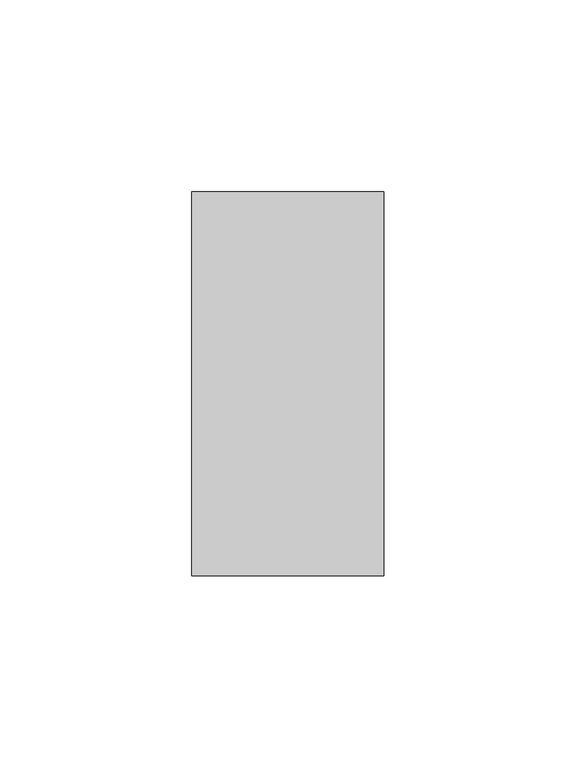
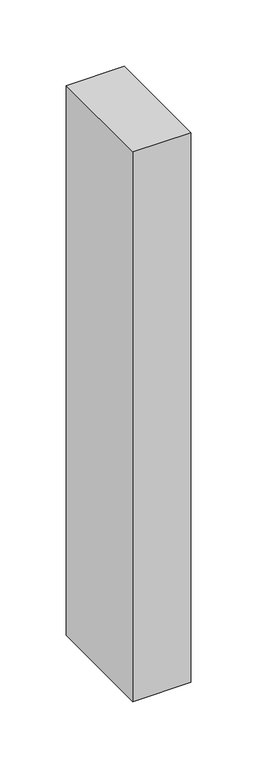
"""IFC4 building model written with IfcOpenShell, lengths in millimetres: member geometry."""

import ifcopenshell
import ifcopenshell.guid

model = None  # the IFC model being written
_history = None  # IfcOwnerHistory: only IFC2X3 demands one
_inside = {}  # id of a spatial element -> (the spatial element, [elements in it])
_under = {}  # id of a project, library or spatial element -> (it, [spatial elements below it])
_declared = {}  # id of a project -> (the project, [libraries it declares])
_typed = {}  # id of a type object -> (the type object, [elements of that type])
_made_of = {}  # id of a material, layer set ... -> (it, [elements and type objects made of it])


def new_model(schema):
    """Start an empty IFC model of exactly this schema.

    Asked for "IFC4X3", IfcOpenShell would pick the latest addendum, in which some entities
    have other attributes; the version numbers below select the first issue.
    IFC2X3 requires an IfcOwnerHistory on every rooted entity: one is made here for all.
    """
    global model, _history
    if schema == "IFC4X3":
        model = ifcopenshell.file(schema_version=(4, 3, 0, 0))
    else:
        model = ifcopenshell.file(schema=schema)
    _inside.clear()
    _under.clear()
    _declared.clear()
    _typed.clear()
    _made_of.clear()
    _history = None
    if model.schema == "IFC2X3":
        org = make("IfcOrganization", Name="unknown")
        user = make(
            "IfcPersonAndOrganization",
            ThePerson=make("IfcPerson", FamilyName="unknown"),
            TheOrganization=org,
        )
        app = make(
            "IfcApplication",
            ApplicationDeveloper=org,
            Version="unknown",
            ApplicationFullName="unknown",
            ApplicationIdentifier="unknown",
        )
        _history = make(
            "IfcOwnerHistory",
            OwningUser=user,
            OwningApplication=app,
            ChangeAction="ADDED",
            CreationDate=0,
        )
    return model


def make(cls, **values):
    """One entity of the class cls with the attributes given. An attribute that is None is left unset."""
    return model.create_entity(
        cls, **{name: value for name, value in values.items() if value is not None}
    )


def rooted(cls, **values):
    """An entity with a GlobalId (a new one), such as an element, a storey or a relation."""
    return make(cls, GlobalId=ifcopenshell.guid.new(), OwnerHistory=_history, **values)


def si_unit(unit_type, name, prefix=None):
    """IfcSIUnit, for example si_unit("LENGTHUNIT", "METRE", prefix="MILLI")."""
    return make("IfcSIUnit", UnitType=unit_type, Prefix=prefix, Name=name)


def assignment(units):
    """IfcUnitAssignment: the units of a project."""
    return None if units is None else make("IfcUnitAssignment", Units=units)


def point(xyz):
    """IfcCartesianPoint."""
    return None if xyz is None else make("IfcCartesianPoint", Coordinates=xyz)


def direction(xyz):
    """IfcDirection."""
    return None if xyz is None else make("IfcDirection", DirectionRatios=xyz)


def frame(location, z_axis=None, x_axis=None):
    """IfcAxis2Placement3D, a coordinate frame: its origin and axes. An axis left out is left unset."""
    return make(
        "IfcAxis2Placement3D",
        Location=point(location),
        Axis=direction(z_axis),
        RefDirection=direction(x_axis),
    )


def origin():
    """The frame at (0, 0, 0) with its axes left unset."""
    return frame((0.0, 0.0, 0.0))


def place(relative_to, where):
    """IfcLocalPlacement: puts the frame where relative to a parent placement (None: the world)."""
    return make(
        "IfcLocalPlacement", PlacementRelTo=relative_to, RelativePlacement=where
    )


def context(
    kind, dimensions, precision=None, world=None, true_north=None, identifier=None
):
    """IfcGeometricRepresentationContext, for example the 3D "Model" context."""
    return make(
        "IfcGeometricRepresentationContext",
        ContextIdentifier=identifier,
        ContextType=kind,
        CoordinateSpaceDimension=dimensions,
        Precision=precision,
        WorldCoordinateSystem=world,
        TrueNorth=true_north,
    )


def project(units=None, contexts=None):
    """IfcProject with its units and contexts."""
    return rooted(
        "IfcProject",
        Name="project",
        RepresentationContexts=contexts,
        UnitsInContext=assignment(units),
    )


def spatial(cls, under=None, at=None, **own):
    """A site, building, storey or space (cls), placed at a placement, below another one or the project."""
    s = rooted(cls, ObjectPlacement=at, **own)
    if under is not None:
        _under.setdefault(under.id(), (under, []))[1].append(s)
    return s


def polyline(points):
    """IfcPolyline through the points."""
    return make("IfcPolyline", Points=[point(p) for p in points])


def outline(outer, holes=None, kind="AREA"):
    """IfcArbitraryClosedProfileDef: a profile drawn as a closed curve; with holes, ...WithVoids."""
    if holes is None:
        return make("IfcArbitraryClosedProfileDef", ProfileType=kind, OuterCurve=outer)
    return make(
        "IfcArbitraryProfileDefWithVoids",
        ProfileType=kind,
        OuterCurve=outer,
        InnerCurves=holes,
    )


def extrude(swept, where, along, depth):
    """IfcExtrudedAreaSolid: the profile swept, set in the frame where, extruded along a direction by depth."""
    return make(
        "IfcExtrudedAreaSolid",
        SweptArea=swept,
        Position=where,
        ExtrudedDirection=direction(along),
        Depth=depth,
    )


def shape(context_of_items, identifier, shape_type, items):
    """IfcShapeRepresentation: the items that make up one representation, for example the "Body"."""
    return make(
        "IfcShapeRepresentation",
        ContextOfItems=context_of_items,
        RepresentationIdentifier=identifier,
        RepresentationType=shape_type,
        Items=items,
    )


def source(mapping_origin, context_of_items, identifier, shape_type, items):
    """IfcRepresentationMap: a shape defined once, which mapped items show again and again."""
    return make(
        "IfcRepresentationMap",
        MappingOrigin=mapping_origin,
        MappedRepresentation=shape(context_of_items, identifier, shape_type, items),
    )


def transform(
    local_origin,
    x_axis=None,
    y_axis=None,
    z_axis=None,
    scale=None,
    scale2=None,
    scale3=None,
    uniform=True,
):
    """IfcCartesianTransformationOperator3D, or its non-uniform kind. x_axis, y_axis, z_axis: its Axis1, 2, 3."""
    if uniform:
        return make(
            "IfcCartesianTransformationOperator3D",
            Axis1=direction(x_axis),
            Axis2=direction(y_axis),
            LocalOrigin=point(local_origin),
            Scale=scale,
            Axis3=direction(z_axis),
        )
    return make(
        "IfcCartesianTransformationOperator3DnonUniform",
        Axis1=direction(x_axis),
        Axis2=direction(y_axis),
        LocalOrigin=point(local_origin),
        Scale=scale,
        Axis3=direction(z_axis),
        Scale2=scale2,
        Scale3=scale3,
    )


def mapped(mapping_source, mapping_target):
    """IfcMappedItem: shows the shape of a source again, moved by a transform."""
    return make(
        "IfcMappedItem", MappingSource=mapping_source, MappingTarget=mapping_target
    )


def made_of(thing, what):
    """Note that an element or type object is made of a material, layer set ...; save() writes the relation."""
    if what is not None:
        _made_of.setdefault(what.id(), (what, []))[1].append(thing)
    return thing


def element(
    cls,
    number,
    at=None,
    inside=None,
    cuts=None,
    type_object=None,
    material=None,
    context=None,
    identifier="Body",
    shape_type=None,
    held_by="IfcProductDefinitionShape",
    body=None,
    shapes=None,
    **own,
):
    """One element of the class cls, such as IfcWall. Its Tag is "e" and its number.

    at: its placement. inside: the storey or other place that contains it. cuts: it is an
    opening in that element (IfcRelVoidsElement). A single representation is given by context,
    identifier, shape_type and body (its items); several are given by shapes. held_by: the class
    of the entity that holds the representations. save() writes the other relations.
    """
    e = rooted(cls, Tag="e%d" % number, ObjectPlacement=at, **own)
    if body is not None:
        shapes = [shape(context, identifier, shape_type, body)]
    if shapes is not None:
        e.Representation = make(held_by, Representations=shapes)
    if inside is not None:
        _inside.setdefault(inside.id(), (inside, []))[1].append(e)
    if cuts is not None:
        rooted(
            "IfcRelVoidsElement", RelatingBuildingElement=cuts, RelatedOpeningElement=e
        )
    if type_object is not None:
        _typed.setdefault(type_object.id(), (type_object, []))[1].append(e)
    return made_of(e, material)


def aggregate(whole, parts):
    """IfcRelAggregates: a whole, such as a stair, and the parts it consists of."""
    return rooted("IfcRelAggregates", RelatingObject=whole, RelatedObjects=parts)


def save(model, path):
    """Write the relations noted so far, then the file.

    IfcRelAggregates (storeys below a building ...), IfcRelContainedInSpatialStructure (elements
    in a storey), IfcRelDefinesByType, IfcRelAssociatesMaterial and IfcRelDeclares: one each for
    every whole, place, type object, material and project.
    """
    for whole, parts in _under.values():
        aggregate(whole, parts)
    for where, things in _inside.values():
        rooted(
            "IfcRelContainedInSpatialStructure",
            RelatedElements=things,
            RelatingStructure=where,
        )
    for kind, things in _typed.values():
        rooted("IfcRelDefinesByType", RelatedObjects=things, RelatingType=kind)
    for what, things in _made_of.values():
        rooted("IfcRelAssociatesMaterial", RelatedObjects=things, RelatingMaterial=what)
    for by, libraries in _declared.values():
        rooted("IfcRelDeclares", RelatingContext=by, RelatedDefinitions=libraries)
    model.write(path)


def member_1990ea60(model_context):
    return source(origin(), model_context, "Body", "SweptSolid", [
        extrude(outline(polyline([(25.0, 50.0), (25.0, -50.0), (-25.0, -50.0), (-25.0, 50.0), (25.0, 50.0)])), frame((0.0, 0.0, -505.0), z_axis=(0.0, 0.0, 1.0), x_axis=(1.0, 0.0, 0.0)), (0.0, 0.0, 1.0), 505.0),
    ])


if __name__ == "__main__":
    model = new_model("IFC4")
    model_context = context("Model", 3, world=origin())
    ifc_project = project(units=[si_unit("LENGTHUNIT", "METRE", prefix="MILLI")], contexts=[model_context])
    site = spatial("IfcSite", under=ifc_project)
    building = spatial("IfcBuilding", under=site)
    placement = place(None, origin())
    member_shape = member_1990ea60(model_context)
    element("IfcMember", 1, at=placement, inside=building, context=model_context, shape_type="MappedRepresentation", body=[
        mapped(member_shape, transform((0.0, 0.0, 0.0), x_axis=(1.0, 0.0, 0.0), y_axis=(0.0, 1.0, 0.0), z_axis=(0.0, 0.0, 1.0))),
    ])
    save(model, "model.ifc")
